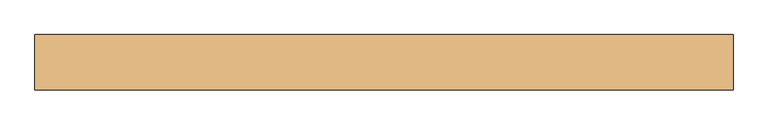
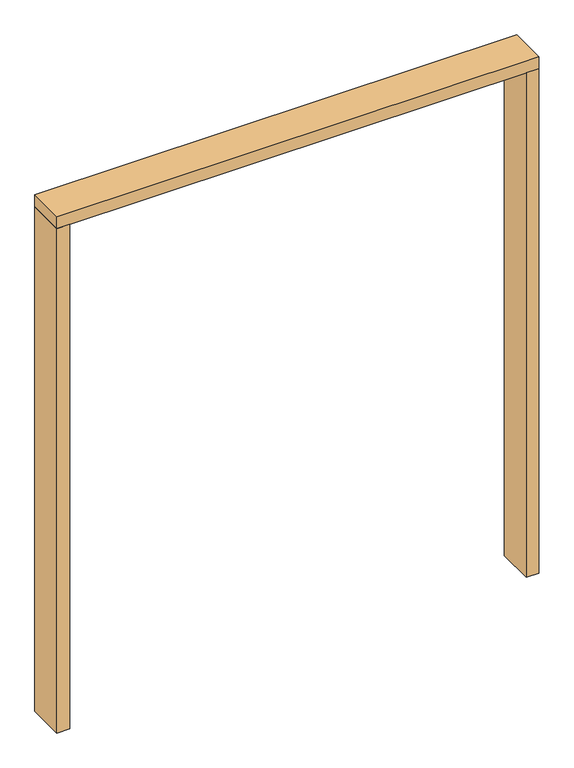
"""IFC4 building model written with IfcOpenShell, lengths in millimetres: door geometry."""

from ifc_helpers import new_model, si_unit, frame, origin, origin_with_axes, place, context, project, spatial, polyline, outline, extrude, source, transform, mapped, element, save


def door_90a126c7(model_context):
    return source(origin(), model_context, "Body", "SweptSolid", [
        extrude(outline(polyline([(-914.4, -76.2), (-965.2, -76.2), (-965.2, 76.2), (-914.4, 76.2), (-914.4, -76.2)])), origin_with_axes(), (0.0, 0.0, 1.0), 2133.6),
        extrude(outline(polyline([(914.4, -76.2), (914.4, 76.2), (965.2, 76.2), (965.2, -76.2), (914.4, -76.2)])), origin_with_axes(), (0.0, 0.0, 1.0), 2133.6),
        extrude(outline(polyline([(965.2, 76.2), (965.2, -76.2), (-965.2, -76.2), (-965.2, 76.2), (965.2, 76.2)])), frame((0.0, 0.0, 2133.6), z_axis=(0.0, 0.0, 1.0), x_axis=(1.0, 0.0, 0.0)), (0.0, 0.0, 1.0), 50.8),
    ])


if __name__ == "__main__":
    model = new_model("IFC4")
    model_context = context("Model", 3, world=origin())
    ifc_project = project(units=[si_unit("LENGTHUNIT", "METRE", prefix="MILLI")], contexts=[model_context])
    site = spatial("IfcSite", under=ifc_project)
    building = spatial("IfcBuilding", under=site)
    placement = place(None, origin())
    door_shape = door_90a126c7(model_context)
    element("IfcDoor", 1, at=placement, inside=building, context=model_context, shape_type="MappedRepresentation", body=[
        mapped(door_shape, transform((0.0, 0.0, 0.0), x_axis=(1.0, 0.0, 0.0), y_axis=(0.0, 1.0, 0.0), z_axis=(0.0, 0.0, 1.0))),
    ])
    save(model, "model.ifc")
